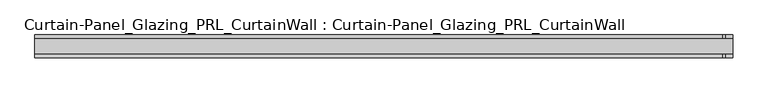
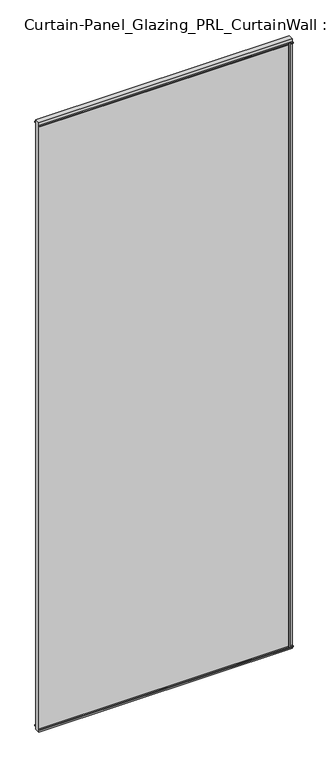
"""IFC4 building model written with IfcOpenShell, lengths in millimetres: plate geometry, Curtain-Panel_Glazing_PRL_CurtainWall : Curtain-Panel_Glazing_PRL_CurtainWall."""

from ifc_helpers import new_model, si_unit, frame, origin, origin_with_axes, place, context, project, spatial, polyline, outline, extrude, source, transform, mapped, element, save


def curtain_panel_glazing_prl_curtainwall_curtain_panel_glazing_2e7cea7c(model_context):
    return source(origin(), model_context, "Body", "SweptSolid", [
        extrude(outline(polyline([(587.375, 19.05), (587.375, 12.7), (583.40625, 12.7), (583.40625, 19.05), (587.375, 19.05)])), frame((0.0, 0.0, 12.7), z_axis=(0.0, 0.0, 1.0), x_axis=(1.0, 0.0, 0.0)), (0.0, 0.0, 1.0), 2946.4),
        extrude(outline(polyline([(587.375, -19.05), (583.40625, -19.05), (583.40625, -12.7), (587.375, -12.7), (587.375, -19.05)])), frame((0.0, 0.0, 12.7), z_axis=(0.0, 0.0, 1.0), x_axis=(1.0, 0.0, 0.0)), (0.0, 0.0, 1.0), 2946.4),
        extrude(outline(polyline([(600.075, -12.7), (-568.325, -12.7), (-568.325, 12.7), (600.075, 12.7), (600.075, -12.7)])), origin_with_axes(), (0.0, 0.0, 1.0), 2971.8),
        extrude(outline(polyline([(-568.325, 19.05), (600.075, 19.05), (600.075, 12.7), (-568.325, 12.7), (-568.325, 19.05)])), frame((0.0, 0.0, 2955.13125), z_axis=(0.0, 0.0, 1.0), x_axis=(1.0, 0.0, 0.0)), (0.0, 0.0, 1.0), 3.96875),
        extrude(outline(polyline([(-568.325, -19.05), (-568.325, -12.7), (600.075, -12.7), (600.075, -19.05), (-568.325, -19.05)])), frame((0.0, 0.0, 2955.13125), z_axis=(0.0, 0.0, 1.0), x_axis=(1.0, 0.0, 0.0)), (0.0, 0.0, 1.0), 3.96875),
        extrude(outline(polyline([(-568.325, 19.05), (600.075, 19.05), (600.075, 12.7), (-568.325, 12.7), (-568.325, 19.05)])), frame((0.0, 0.0, 12.7), z_axis=(0.0, 0.0, 1.0), x_axis=(1.0, 0.0, 0.0)), (0.0, 0.0, 1.0), 3.96875),
        extrude(outline(polyline([(-568.325, -19.05), (-568.325, -12.7), (600.075, -12.7), (600.075, -19.05), (-568.325, -19.05)])), frame((0.0, 0.0, 12.7), z_axis=(0.0, 0.0, 1.0), x_axis=(1.0, 0.0, 0.0)), (0.0, 0.0, 1.0), 3.96875),
    ])


if __name__ == "__main__":
    model = new_model("IFC4")
    model_context = context("Model", 3, world=origin())
    ifc_project = project(units=[si_unit("LENGTHUNIT", "METRE", prefix="MILLI")], contexts=[model_context])
    site = spatial("IfcSite", under=ifc_project)
    building = spatial("IfcBuilding", under=site)
    placement = place(None, origin())
    curtain_panel_glazing_prl_curtainwall_curtain_panel_glazing_shape = curtain_panel_glazing_prl_curtainwall_curtain_panel_glazing_2e7cea7c(model_context)
    element("IfcPlate", 1, ObjectType="Curtain-Panel_Glazing_PRL_CurtainWall : Curtain-Panel_Glazing_PRL_CurtainWall", at=placement, inside=building, context=model_context, shape_type="MappedRepresentation", body=[
        mapped(curtain_panel_glazing_prl_curtainwall_curtain_panel_glazing_shape, transform((0.0, 0.0, 0.0), x_axis=(1.0, 0.0, 0.0), y_axis=(0.0, 1.0, 0.0), z_axis=(0.0, 0.0, 1.0))),
    ])
    save(model, "model.ifc")
